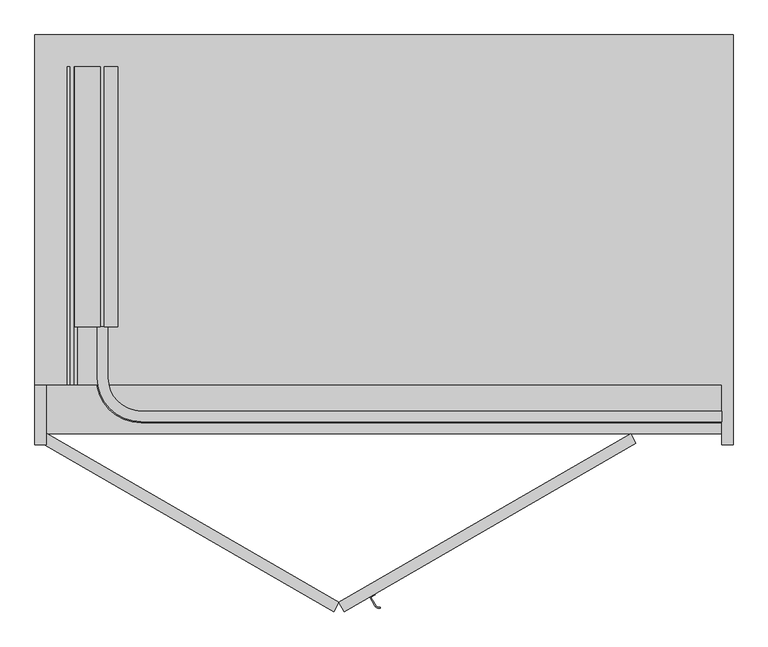
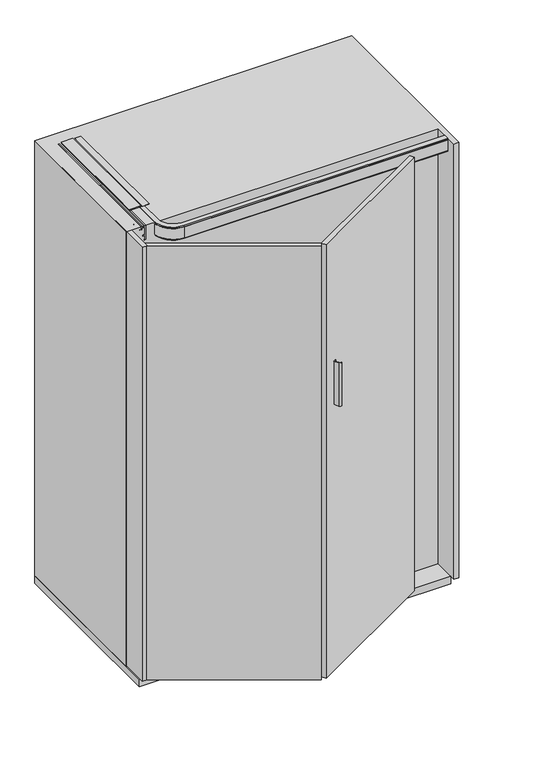
"""IFC4 building model written with IfcOpenShell, lengths in millimetres: furniture geometry."""

from ifc_helpers import new_model, si_unit, point, frame, frame_2d, origin, origin_with_axes, place, context, project, spatial, polyline, circle_curve, trimmed, segment, composite_curve, outline, extrude, faceted_brep, source, transform, mapped, element, save
from ifc_brep_helpers import plane_surface, cylinder_surface, revolved_surface, advanced_brep


def furniture_c6cda0ae(model_context):
    return source(origin(), model_context, "Body", "SolidModel", [
        extrude(outline(composite_curve([segment(polyline([(468.6306141, -378.7535208), (477.14003, -393.4922615)]), True, "CONTINUOUS"), segment(trimmed(circle_curve(frame_2d((483.1894611, -389.9996208)), 6.9852814), [point((477.14003, -393.4922615))], [point((484.997385, -396.7468845))], True, "CARTESIAN"), True, "CONTINUOUS"), segment(polyline([(484.997385, -396.7468845), (485.3856135, -398.1957732)]), True, "CONTINUOUS"), segment(trimmed(circle_curve(frame_2d((483.1894611, -389.9996208)), 8.4852814), [point((485.3856135, -398.1957732))], [point((475.8409919, -394.2422615))], False, "CARTESIAN"), True, "CONTINUOUS"), segment(polyline([(475.8409919, -394.2422615), (466.581576, -378.2044827), (475.24183, -373.2044827), (475.99183, -374.5035208), (468.6306141, -378.7535208)]), True, "CONTINUOUS")], self_intersect=False)), frame((0.0, 0.0, 1110.0), z_axis=(0.0, 0.0, 1.0), x_axis=(1.0, 0.0, 0.0)), (0.0, 0.0, 1.0), 180.0),
        extrude(outline(polyline([(1807.9932635, 18.0), (1807.9932635, -6.170682), (1804.7432635, -6.170682), (1804.7432635, -3.85), (1802.2932635, -3.85), (1802.2932635, -15.85), (1804.7432635, -15.85), (1804.7432635, -13.6), (1810.9932635, -13.6), (1810.9932635, -59.4403391), (1807.0, -56.6442259), (1807.0, -60.2560852), (1801.0432635, -60.2560852), (1801.0432635, -58.0), (1798.7432635, -58.0), (1798.7432635, -70.0), (1801.0432635, -70.0), (1801.0432635, -67.75), (1803.6432635, -67.75), (1803.6432635, -72.0), (1795.3932635, -72.0), (1795.3932635, -67.5), (1792.7432635, -67.5), (1792.7432635, -69.75), (1790.7432635, -69.75), (1790.7432635, -58.25), (1792.7432635, -58.25), (1792.7432635, -60.5), (1795.3932635, -60.5), (1795.3932635, -55.0), (1807.0, -55.0), (1807.0, -20.85), (1752.9932635, -20.85), (1752.9932635, -14.4), (1759.2932635, -8.1), (1760.7932635, -8.1), (1760.7932635, -18.1), (1798.3932635, -18.1), (1798.3932635, -3.85), (1791.8932635, -3.85), (1791.8932635, 0.0), (1804.0042028, 0.0), (1804.0042028, 18.0), (1807.9932635, 18.0)])), frame((0.0, 102.7851791, 0.0), z_axis=(0.0, 1.0, 0.0), x_axis=(0.0, 0.0, 1.0)), (0.0, 0.0, 1.0), 463.2148209),
        advanced_brep(
        [(1094.0, -47.150158, 1791.899902), (1094.0, -47.150158, 1807.0), (1094.0, -66.000134, 1807.0), (1094.0, -66.000134, 1802.2), (1094.0, -68.000134, 1802.2), (1094.0, -68.000134, 1757.8), (1094.0, -66.000134, 1757.8), (1094.0, -66.000134, 1753.0), (1094.0, -61.000134, 1753.0), (1094.0, -61.000134, 1757.8), (1094.0, -55.250134, 1757.8), (1094.0, -55.250134, 1760.8), (1094.0, -65.250134, 1760.8), (1094.0, -65.250134, 1798.4), (1094.0, -51.050134, 1798.4), (1094.0, -51.050134, 1791.899902), (-2.4e-05, 102.7851791, 1791.899902), (-3.9, 102.7851791, 1791.899902), (-3.9, 102.7851791, 1798.4), (-18.1, 102.7851791, 1798.4), (-18.1, 102.7851791, 1760.8), (-8.1, 102.7851791, 1760.8), (-8.1, 102.7851791, 1757.8), (-13.85, 102.7851791, 1757.8), (-13.85, 102.7851791, 1753.0), (-18.85, 102.7851791, 1753.0), (-18.85, 102.7851791, 1757.8), (-20.85, 102.7851791, 1757.8), (-20.85, 102.7851791, 1802.2), (-18.85, 102.7851791, 1802.2), (-18.85, 102.7851791, 1807.0), (-2.4e-05, 102.7851791, 1807.0), (59.150134, -47.150158, 1791.899902), (59.150134, -47.150158, 1807.0), (-2.4e-05, 12.0, 1807.0), (-18.85, 12.0, 1807.0), (59.150134, -66.000134, 1807.0), (59.150134, -66.000134, 1802.2), (-18.85, 12.0, 1802.2), (-20.85, 12.0, 1802.2), (59.150134, -68.000134, 1802.2), (59.150134, -68.000134, 1757.8), (-20.85, 12.0, 1757.8), (-18.85, 12.0, 1757.8), (59.150134, -66.000134, 1757.8), (59.150134, -66.000134, 1753.0), (-18.85, 12.0, 1753.0), (-13.85, 12.0, 1753.0), (59.150134, -61.000134, 1753.0), (59.150134, -61.000134, 1757.8), (-13.85, 12.0, 1757.8), (-8.1, 12.0, 1757.8), (59.150134, -55.250134, 1757.8), (59.150134, -55.250134, 1760.8), (-8.1, 12.0, 1760.8), (-18.1, 12.0, 1760.8), (59.150134, -65.250134, 1760.8), (59.150134, -65.250134, 1798.4), (-18.1, 12.0, 1798.4), (-3.9, 12.0, 1798.4), (59.150134, -51.050134, 1798.4), (59.150134, -51.050134, 1791.899902), (-3.9, 12.0, 1791.899902), (-2.4e-05, 12.0, 1791.899902)],
        [
            (0, 1),
            (1, 2),
            (2, 3),
            (3, 4),
            (4, 5),
            (5, 6),
            (6, 7),
            (7, 8),
            (8, 9),
            (9, 10),
            (10, 11),
            (11, 12),
            (12, 13),
            (13, 14),
            (14, 15),
            (15, 0),
            (16, 17),
            (17, 18),
            (18, 19),
            (19, 20),
            (20, 21),
            (21, 22),
            (22, 23),
            (23, 24),
            (24, 25),
            (25, 26),
            (26, 27),
            (27, 28),
            (28, 29),
            (29, 30),
            (30, 31),
            (31, 16),
            (0, 32),
            (32, 33),
            (33, 1),
            (33, 34, circle_curve(frame((59.150134, 12.0, 1807.0), z_axis=(0.0, 0.0, -1.0), x_axis=(0.0, -1.0, 0.0)), 59.150158)),
            (34, 31),
            (30, 35),
            (35, 36, circle_curve(frame((59.150134, 12.0, 1807.0), z_axis=(0.0, 0.0, 1.0), x_axis=(0.0, -1.0, 0.0)), 78.000134)),
            (36, 2),
            (36, 37),
            (37, 3),
            (37, 38, circle_curve(frame((59.150134, 12.0, 1802.2), z_axis=(0.0, 0.0, -1.0), x_axis=(0.0, -1.0, 0.0)), 78.000134)),
            (38, 29),
            (28, 39),
            (39, 40, circle_curve(frame((59.150134, 12.0, 1802.2), z_axis=(0.0, 0.0, 1.0), x_axis=(0.0, -1.0, 0.0)), 80.000134)),
            (40, 4),
            (40, 41),
            (41, 5),
            (41, 42, circle_curve(frame((59.150134, 12.0, 1757.8), z_axis=(0.0, 0.0, -1.0), x_axis=(0.0, -1.0, 0.0)), 80.000134)),
            (42, 27),
            (26, 43),
            (43, 44, circle_curve(frame((59.150134, 12.0, 1757.8), z_axis=(0.0, 0.0, 1.0), x_axis=(0.0, -1.0, 0.0)), 78.000134)),
            (44, 6),
            (44, 45),
            (45, 7),
            (45, 46, circle_curve(frame((59.150134, 12.0, 1753.0), z_axis=(0.0, 0.0, -1.0), x_axis=(0.0, -1.0, 0.0)), 78.000134)),
            (46, 25),
            (24, 47),
            (47, 48, circle_curve(frame((59.150134, 12.0, 1753.0), z_axis=(0.0, 0.0, 1.0), x_axis=(0.0, -1.0, 0.0)), 73.000134)),
            (48, 8),
            (48, 49),
            (49, 9),
            (49, 50, circle_curve(frame((59.150134, 12.0, 1757.8), z_axis=(0.0, 0.0, -1.0), x_axis=(0.0, -1.0, 0.0)), 73.000134)),
            (50, 23),
            (22, 51),
            (51, 52, circle_curve(frame((59.150134, 12.0, 1757.8), z_axis=(0.0, 0.0, 1.0), x_axis=(0.0, -1.0, 0.0)), 67.250134)),
            (52, 10),
            (52, 53),
            (53, 11),
            (53, 54, circle_curve(frame((59.150134, 12.0, 1760.8), z_axis=(0.0, 0.0, -1.0), x_axis=(0.0, -1.0, 0.0)), 67.250134)),
            (54, 21),
            (20, 55),
            (55, 56, circle_curve(frame((59.150134, 12.0, 1760.8), z_axis=(0.0, 0.0, 1.0), x_axis=(0.0, -1.0, 0.0)), 77.250134)),
            (56, 12),
            (56, 57),
            (57, 13),
            (57, 58, circle_curve(frame((59.150134, 12.0, 1798.4), z_axis=(0.0, 0.0, -1.0), x_axis=(0.0, -1.0, 0.0)), 77.250134)),
            (58, 19),
            (18, 59),
            (59, 60, circle_curve(frame((59.150134, 12.0, 1798.4), z_axis=(0.0, 0.0, 1.0), x_axis=(0.0, -1.0, 0.0)), 63.050134)),
            (60, 14),
            (60, 61),
            (61, 15),
            (61, 62, circle_curve(frame((59.150134, 12.0, 1791.899902), z_axis=(0.0, 0.0, -1.0), x_axis=(0.0, -1.0, 0.0)), 63.050134)),
            (62, 17),
            (16, 63),
            (63, 32, circle_curve(frame((59.150134, 12.0, 1791.899902), z_axis=(0.0, 0.0, 1.0), x_axis=(0.0, -1.0, 0.0)), 59.150158)),
            (63, 34),
            (35, 38),
            (39, 42),
            (43, 46),
            (47, 50),
            (51, 54),
            (55, 58),
            (59, 62),
        ],
        [
            plane_surface(frame((1094.0, -88.0, 1807.0), z_axis=(1.0, 0.0, 0.0), x_axis=(0.0, 0.0, 1.0))),
            plane_surface(frame((-40.849866, 102.7851791, 1807.0), z_axis=(0.0, 1.0, 0.0), x_axis=(0.0, 0.0, 1.0))),
            plane_surface(frame((1094.0, -47.150158, 1791.899902), z_axis=(0.0, 1.0, 0.0), x_axis=(-1.0, 0.0, 0.0))),
            plane_surface(frame((1094.0, -47.150158, 1807.0), z_axis=(0.0, 0.0, 1.0), x_axis=(-1.0, 0.0, 0.0))),
            plane_surface(frame((1094.0, -66.000134, 1807.0), z_axis=(0.0, -1.0, 0.0), x_axis=(-1.0, 0.0, 0.0))),
            plane_surface(frame((1094.0, -66.000134, 1802.2), z_axis=(0.0, 0.0, 1.0), x_axis=(-1.0, 0.0, 0.0))),
            plane_surface(frame((1094.0, -68.000134, 1802.2), z_axis=(0.0, -1.0, 0.0), x_axis=(-1.0, 0.0, 0.0))),
            plane_surface(frame((1094.0, -68.000134, 1757.8), z_axis=(0.0, 0.0, -1.0), x_axis=(-1.0, 0.0, 0.0))),
            plane_surface(frame((1094.0, -66.000134, 1757.8), z_axis=(0.0, -1.0, 0.0), x_axis=(-1.0, 0.0, 0.0))),
            plane_surface(frame((1094.0, -66.000134, 1753.0), z_axis=(0.0, 0.0, -1.0), x_axis=(-1.0, 0.0, 0.0))),
            plane_surface(frame((1094.0, -61.000134, 1753.0), z_axis=(0.0, 1.0, 0.0), x_axis=(-1.0, 0.0, 0.0))),
            plane_surface(frame((1094.0, -61.000134, 1757.8), z_axis=(0.0, 0.0, -1.0), x_axis=(-1.0, 0.0, 0.0))),
            plane_surface(frame((1094.0, -55.250134, 1757.8), z_axis=(0.0, 1.0, 0.0), x_axis=(-1.0, 0.0, 0.0))),
            plane_surface(frame((1094.0, -55.250134, 1760.8), z_axis=(0.0, 0.0, 1.0), x_axis=(-1.0, 0.0, 0.0))),
            plane_surface(frame((1094.0, -65.250134, 1760.8), z_axis=(0.0, 1.0, 0.0), x_axis=(-1.0, 0.0, 0.0))),
            plane_surface(frame((1094.0, -65.250134, 1798.4), z_axis=(0.0, 0.0, -1.0), x_axis=(-1.0, 0.0, 0.0))),
            plane_surface(frame((1094.0, -51.050134, 1798.4), z_axis=(0.0, -1.0, 0.0), x_axis=(-1.0, 0.0, 0.0))),
            plane_surface(frame((1094.0, -51.050134, 1791.899902), z_axis=(0.0, 0.0, -1.0), x_axis=(-1.0, 0.0, 0.0))),
            revolved_surface(polyline([(59.150134, -47.150158, 1791.899902), (59.150134, -47.150158, 1807.0)]), (59.150134, 12.0, 1807.0), (0.0, 0.0, -1.0)),
            cylinder_surface(frame((59.150134, 12.0, 1807.0), z_axis=(0.0, 0.0, -1.0), x_axis=(0.0, -1.0, 0.0)), 78.000134),
            cylinder_surface(frame((59.150134, 12.0, 1807.0), z_axis=(0.0, 0.0, -1.0), x_axis=(0.0, -1.0, 0.0)), 80.000134),
            revolved_surface(polyline([(59.150134, -61.000134, 1753.0), (59.150134, -61.000134, 1757.8)]), (59.150134, 12.0, 1807.0), (0.0, 0.0, -1.0)),
            revolved_surface(polyline([(59.150134, -55.250134, 1757.8), (59.150134, -55.250134, 1760.8)]), (59.150134, 12.0, 1807.0), (0.0, 0.0, -1.0)),
            revolved_surface(polyline([(59.150134, -65.250134, 1760.8), (59.150134, -65.250134, 1798.4)]), (59.150134, 12.0, 1807.0), (0.0, 0.0, -1.0)),
            cylinder_surface(frame((59.150134, 12.0, 1807.0), z_axis=(0.0, 0.0, -1.0), x_axis=(0.0, -1.0, 0.0)), 63.050134),
            plane_surface(frame((-2.4e-05, 12.0, 1791.899902), z_axis=(1.0, 0.0, 0.0), x_axis=(0.0, 1.0, 0.0))),
            plane_surface(frame((-18.85, 12.0, 1807.0), z_axis=(-1.0, 0.0, 0.0), x_axis=(0.0, 1.0, 0.0))),
            plane_surface(frame((-20.85, 12.0, 1802.2), z_axis=(-1.0, 0.0, 0.0), x_axis=(0.0, 1.0, 0.0))),
            plane_surface(frame((-18.85, 12.0, 1757.8), z_axis=(-1.0, 0.0, 0.0), x_axis=(0.0, 1.0, 0.0))),
            plane_surface(frame((-13.85, 12.0, 1753.0), z_axis=(1.0, 0.0, 0.0), x_axis=(0.0, 1.0, 0.0))),
            plane_surface(frame((-8.1, 12.0, 1757.8), z_axis=(1.0, 0.0, 0.0), x_axis=(0.0, 1.0, 0.0))),
            plane_surface(frame((-18.1, 12.0, 1760.8), z_axis=(1.0, 0.0, 0.0), x_axis=(0.0, 1.0, 0.0))),
            plane_surface(frame((-3.9, 12.0, 1798.4), z_axis=(-1.0, 0.0, 0.0), x_axis=(0.0, 1.0, 0.0))),
        ],
        [
            (0, [[1, 2, 3, 4, 5, 6, 7, 8, 9, 10, 11, 12, 13, 14, 15, 16]]),
            (1, [[17, 18, 19, 20, 21, 22, 23, 24, 25, 26, 27, 28, 29, 30, 31, 32]]),
            (2, [[-1, 33, 34, 35]]),
            (3, [[-2, -35, 36, 37, -31, 38, 39, 40]]),
            (4, [[-3, -40, 41, 42]]),
            (5, [[-4, -42, 43, 44, -29, 45, 46, 47]]),
            (6, [[-5, -47, 48, 49]]),
            (7, [[-6, -49, 50, 51, -27, 52, 53, 54]]),
            (8, [[-7, -54, 55, 56]]),
            (9, [[-8, -56, 57, 58, -25, 59, 60, 61]]),
            (10, [[-9, -61, 62, 63]]),
            (11, [[-10, -63, 64, 65, -23, 66, 67, 68]]),
            (12, [[-11, -68, 69, 70]]),
            (13, [[-12, -70, 71, 72, -21, 73, 74, 75]]),
            (14, [[-13, -75, 76, 77]]),
            (15, [[-14, -77, 78, 79, -19, 80, 81, 82]]),
            (16, [[-15, -82, 83, 84]]),
            (17, [[-16, -84, 85, 86, -17, 87, 88, -33]]),
            (18, [[-36, -34, -88, 89]]),
            (19, [[-43, -41, -39, 90]]),
            (20, [[-50, -48, -46, 91]]),
            (19, [[-57, -55, -53, 92]]),
            (21, [[-64, -62, -60, 93]]),
            (22, [[-71, -69, -67, 94]]),
            (23, [[-78, -76, -74, 95]]),
            (24, [[-85, -83, -81, 96]]),
            (25, [[-89, -87, -32, -37]]),
            (26, [[-90, -38, -30, -44]]),
            (27, [[-91, -45, -28, -51]]),
            (28, [[-92, -52, -26, -58]]),
            (29, [[-93, -59, -24, -65]]),
            (30, [[-94, -66, -22, -72]]),
            (31, [[-95, -73, -20, -79]]),
            (32, [[-96, -80, -18, -86]]),
        ],
    ),
        extrude(outline(polyline([(931.2304845, -88.0), (940.7304845, -104.4544827), (421.1152423, -404.4544827), (411.6152423, -388.0), (931.2304845, -88.0)])), frame((0.0, 0.0, 5.0), z_axis=(0.0, 0.0, 1.0), x_axis=(1.0, 0.0, 0.0)), (0.0, 0.0, 1.0), 1800.0),
        extrude(outline(polyline([(-117.5, -104.4544827), (-108.0, -88.0), (411.6152423, -388.0), (402.1152423, -404.4544827), (-117.5, -104.4544827)])), frame((0.0, 0.0, 5.0), z_axis=(0.0, 0.0, 1.0), x_axis=(1.0, 0.0, 0.0)), (0.0, 0.0, 1.0), 1800.0),
        advanced_brep(
        [(-75.6336873, 23.1375322, 1765.724276), (-75.6336873, 23.1375322, 1733.0547299), (-63.4737348, 23.1375322, 1733.0547299), (-63.4737348, 23.1375322, 1761.3495777), (-67.2507667, 23.1375322, 1761.3495777), (-71.625465, 23.1375322, 1765.724276), (-75.6336873, 82.3672808, 1765.724276), (-71.625465, 82.3672808, 1765.724276), (-67.2507667, 82.3672808, 1761.3495777), (-63.4737348, 82.3672808, 1761.3495777), (-63.4737348, 82.3672808, 1733.0547299), (-75.6336873, 82.3672808, 1733.0547299), (-63.4737348, 33.0799821, 1758.673583), (-63.4737348, 39.5123773, 1758.673583), (-63.4737348, 39.5123773, 1754.158508), (-63.4737348, 33.0799821, 1754.158508), (-63.4737348, 26.647587, 1754.158508), (-63.4737348, 26.647587, 1758.673583), (-63.4737348, 72.4549821, 1758.673583), (-63.4737348, 78.8873773, 1758.673583), (-63.4737348, 78.8873773, 1754.158508), (-63.4737348, 72.4549821, 1754.158508), (-63.4737348, 66.022587, 1754.158508), (-63.4737348, 66.022587, 1758.673583), (-57.5, 33.0799821, 1758.673583), (-57.5, 33.0799821, 1754.158508), (-57.5, 72.4549821, 1758.673583), (-57.5, 72.4549821, 1754.158508)],
        [
            (0, 1),
            (1, 2),
            (2, 3),
            (3, 4),
            (4, 5),
            (5, 0),
            (6, 7),
            (7, 8),
            (8, 9),
            (9, 10),
            (10, 11),
            (11, 6),
            (0, 6),
            (11, 1),
            (10, 2),
            (9, 3),
            (12, 13),
            (13, 14),
            (14, 15),
            (15, 16),
            (16, 17),
            (17, 12),
            (18, 19),
            (19, 20),
            (20, 21),
            (21, 22),
            (22, 23),
            (23, 18),
            (8, 4),
            (7, 5),
            (12, 24),
            (24, 13, circle_curve(frame((-63.950003, 33.0799821, 1758.673583), z_axis=(0.0, 0.0, 1.0), x_axis=(1.0, 0.0, 0.0)), 6.450003)),
            (17, 24, circle_curve(frame((-63.950003, 33.0799821, 1758.673583), z_axis=(0.0, 0.0, 1.0), x_axis=(1.0, 0.0, 0.0)), 6.450003)),
            (25, 15),
            (14, 25, circle_curve(frame((-63.950003, 33.0799821, 1754.158508), z_axis=(0.0, 0.0, -1.0), x_axis=(1.0, 0.0, 0.0)), 6.450003)),
            (25, 16, circle_curve(frame((-63.950003, 33.0799821, 1754.158508), z_axis=(0.0, 0.0, -1.0), x_axis=(1.0, 0.0, 0.0)), 6.450003)),
            (24, 25),
            (18, 26),
            (26, 19, circle_curve(frame((-63.950003, 72.4549821, 1758.673583), z_axis=(0.0, 0.0, 1.0), x_axis=(1.0, 0.0, 0.0)), 6.450003)),
            (23, 26, circle_curve(frame((-63.950003, 72.4549821, 1758.673583), z_axis=(0.0, 0.0, 1.0), x_axis=(1.0, 0.0, 0.0)), 6.450003)),
            (27, 21),
            (20, 27, circle_curve(frame((-63.950003, 72.4549821, 1754.158508), z_axis=(0.0, 0.0, -1.0), x_axis=(1.0, 0.0, 0.0)), 6.450003)),
            (27, 22, circle_curve(frame((-63.950003, 72.4549821, 1754.158508), z_axis=(0.0, 0.0, -1.0), x_axis=(1.0, 0.0, 0.0)), 6.450003)),
            (26, 27),
        ],
        [
            plane_surface(frame((-75.6336873, 23.1375322, 1765.724276), z_axis=(0.0, -1.0, 0.0), x_axis=(0.0, 0.0, -1.0))),
            plane_surface(frame((-75.6336873, 82.3672808, 1765.724276), z_axis=(0.0, 1.0, 0.0), x_axis=(0.0, 0.0, 1.0))),
            plane_surface(frame((-75.6336873, 23.1375322, 1765.724276), z_axis=(-1.0, 0.0, 0.0), x_axis=(0.0, 1.0, 0.0))),
            plane_surface(frame((-75.6336873, 23.1375322, 1733.0547299), z_axis=(0.0, 0.0, -1.0), x_axis=(0.0, 1.0, 0.0))),
            plane_surface(frame((-63.4737348, 23.1375322, 1733.0547299), z_axis=(1.0, 0.0, 0.0), x_axis=(0.0, 1.0, 0.0))),
            plane_surface(frame((-63.4737348, 23.1375322, 1761.3495777), z_axis=(0.0, 0.0, 1.0), x_axis=(0.0, 1.0, 0.0))),
            plane_surface(frame((-67.2507667, 23.1375322, 1761.3495777), z_axis=(0.7071067811865492, 0.0, 0.7071067811865459), x_axis=(0.0, 1.0, 0.0))),
            plane_surface(frame((-71.625465, 23.1375322, 1765.724276), z_axis=(0.0, 0.0, 1.0), x_axis=(0.0, 1.0, 0.0))),
            plane_surface(frame((-63.950003, 33.0799821, 1758.673583), z_axis=(0.0, 0.0, 1.0), x_axis=(1.0, 0.0, 0.0))),
            plane_surface(frame((-63.950003, 33.0799821, 1754.158508), z_axis=(0.0, 0.0, -1.0), x_axis=(1.0, 0.0, 0.0))),
            cylinder_surface(frame((-63.950003, 33.0799821, 1759.795738), z_axis=(0.0, 0.0, 1.0), x_axis=(1.0, 0.0, 0.0)), 6.450003),
            plane_surface(frame((-63.950003, 72.4549821, 1758.673583), z_axis=(0.0, 0.0, 1.0), x_axis=(1.0, 0.0, 0.0))),
            plane_surface(frame((-63.950003, 72.4549821, 1754.158508), z_axis=(0.0, 0.0, -1.0), x_axis=(1.0, 0.0, 0.0))),
            cylinder_surface(frame((-63.950003, 72.4549821, 1759.795738), z_axis=(0.0, 0.0, 1.0), x_axis=(1.0, 0.0, 0.0)), 6.450003),
        ],
        [
            (0, [[1, 2, 3, 4, 5, 6]]),
            (1, [[7, 8, 9, 10, 11, 12]]),
            (2, [[-1, 13, -12, 14]]),
            (3, [[-2, -14, -11, 15]]),
            (4, [[-3, -15, -10, 16], [17, 18, 19, 20, 21, 22], [23, 24, 25, 26, 27, 28]]),
            (5, [[-4, -16, -9, 29]]),
            (6, [[-5, -29, -8, 30]]),
            (7, [[-6, -30, -7, -13]]),
            (8, [[31, 32, -17]]),
            (8, [[-31, -22, 33]]),
            (9, [[34, -19, 35]]),
            (9, [[-34, 36, -20]]),
            (10, [[37, -35, -18, -32]]),
            (10, [[-37, -33, -21, -36]]),
            (11, [[38, 39, -23]]),
            (11, [[-38, -28, 40]]),
            (12, [[41, -25, 42]]),
            (12, [[-41, 43, -26]]),
            (13, [[44, -42, -24, -39]]),
            (13, [[-44, -40, -27, -43]]),
        ],
    ),
        advanced_brep(
        [(-67.900202, 72.4549821, 1784.308626), (-67.900202, 72.4549821, 1769.308626), (-67.900202, 72.4549821, 1799.308626), (-66.9872489, 72.4549821, 1769.308626), (-66.9872489, 72.4549821, 1799.308626), (-59.900202, 72.4549821, 1799.308626), (-59.900202, 72.4549821, 1769.308626), (-59.900202, 72.4549821, 1779.2712731), (-59.900202, 72.4549821, 1789.3459789), (-58.400202, 72.4549821, 1780.3215844), (-58.400202, 72.4549821, 1788.2956676), (-58.400202, 72.4549821, 1784.308626), (-60.9142761, 72.4549821, 1799.308626), (-60.9142761, 72.4549821, 1769.308626), (-62.91385, 72.4549821, 1797.3090521), (-62.91385, 72.4549821, 1771.3081999), (-64.9876751, 72.4549821, 1797.3090521), (-64.9876751, 72.4549821, 1771.3081999)],
        [
            (0, 1),
            (1, 2, circle_curve(frame((-67.900202, 72.4549821, 1784.308626), z_axis=(-1.0, 0.0, 0.0), x_axis=(0.0, 0.0, -1.0)), 15.0)),
            (2, 0),
            (2, 1, circle_curve(frame((-67.900202, 72.4549821, 1784.308626), z_axis=(-1.0, 0.0, 0.0), x_axis=(0.0, 0.0, -1.0)), 15.0)),
            (1, 3),
            (3, 4, circle_curve(frame((-66.9872489, 72.4549821, 1784.308626), z_axis=(-1.0, 0.0, 0.0), x_axis=(0.0, 0.0, -1.0)), 15.0)),
            (4, 2),
            (4, 3, circle_curve(frame((-66.9872489, 72.4549821, 1784.308626), z_axis=(-1.0, 0.0, 0.0), x_axis=(0.0, 0.0, -1.0)), 15.0)),
            (5, 6, circle_curve(frame((-59.900202, 72.4549821, 1784.308626), z_axis=(1.0, 0.0, 0.0), x_axis=(0.0, 0.0, -1.0)), 15.0)),
            (6, 7),
            (7, 8, circle_curve(frame((-59.900202, 72.4549821, 1784.308626), z_axis=(-1.0, 0.0, 0.0), x_axis=(0.0, 0.0, -1.0)), 5.0373529)),
            (8, 5),
            (6, 5, circle_curve(frame((-59.900202, 72.4549821, 1784.308626), z_axis=(1.0, 0.0, 0.0), x_axis=(0.0, 0.0, -1.0)), 15.0)),
            (8, 7, circle_curve(frame((-59.900202, 72.4549821, 1784.308626), z_axis=(-1.0, 0.0, 0.0), x_axis=(0.0, 0.0, -1.0)), 5.0373529)),
            (7, 9),
            (9, 10, circle_curve(frame((-58.400202, 72.4549821, 1784.308626), z_axis=(-1.0, 0.0, 0.0), x_axis=(0.0, 0.0, -1.0)), 3.9870416)),
            (10, 8),
            (10, 9, circle_curve(frame((-58.400202, 72.4549821, 1784.308626), z_axis=(-1.0, 0.0, 0.0), x_axis=(0.0, 0.0, -1.0)), 3.9870416)),
            (9, 11),
            (11, 10),
            (12, 13, circle_curve(frame((-60.9142761, 72.4549821, 1784.308626), z_axis=(1.0, 0.0, 0.0), x_axis=(0.0, 0.0, -1.0)), 15.0)),
            (13, 6),
            (5, 12),
            (13, 12, circle_curve(frame((-60.9142761, 72.4549821, 1784.308626), z_axis=(1.0, 0.0, 0.0), x_axis=(0.0, 0.0, -1.0)), 15.0)),
            (14, 15, circle_curve(frame((-62.91385, 72.4549821, 1784.308626), z_axis=(1.0, 0.0, 0.0), x_axis=(0.0, 0.0, -1.0)), 13.0004261)),
            (15, 13),
            (12, 14),
            (15, 14, circle_curve(frame((-62.91385, 72.4549821, 1784.308626), z_axis=(1.0, 0.0, 0.0), x_axis=(0.0, 0.0, -1.0)), 13.0004261)),
            (16, 17, circle_curve(frame((-64.9876751, 72.4549821, 1784.308626), z_axis=(1.0, 0.0, 0.0), x_axis=(0.0, 0.0, -1.0)), 13.0004261)),
            (17, 15),
            (14, 16),
            (17, 16, circle_curve(frame((-64.9876751, 72.4549821, 1784.308626), z_axis=(1.0, 0.0, 0.0), x_axis=(0.0, 0.0, -1.0)), 13.0004261)),
            (3, 17),
            (16, 4),
        ],
        [
            plane_surface(frame((-67.900202, 72.4549821, 1784.308626), z_axis=(-1.0, 0.0, 0.0), x_axis=(0.0, 0.0, -1.0))),
            cylinder_surface(frame((-58.400202, 72.4549821, 1784.308626), z_axis=(-1.0, 0.0, 0.0), x_axis=(0.0, 0.0, -1.0)), 15.0),
            plane_surface(frame((-59.900202, 72.4549821, 1784.308626), z_axis=(1.0, 0.0, 0.0), x_axis=(0.0, 0.0, -1.0))),
            revolved_surface(polyline([(-58.400202, 72.4549821, 1780.3215844), (-59.900202, 72.4549821, 1779.2712731)]), (-58.400202, 72.4549821, 1784.308626), (-1.0, 0.0, 0.0)),
            plane_surface(frame((-58.400202, 72.4549821, 1784.308626), z_axis=(1.0, 0.0, 0.0), x_axis=(0.0, 0.0, -1.0))),
            revolved_surface(polyline([(-60.9142761, 72.4549821, 1769.308626), (-62.91385, 72.4549821, 1771.3081999)]), (-58.400202, 72.4549821, 1784.308626), (-1.0, 0.0, 0.0)),
            cylinder_surface(frame((-58.400202, 72.4549821, 1784.308626), z_axis=(-1.0, 0.0, 0.0), x_axis=(0.0, 0.0, -1.0)), 13.0004261),
            revolved_surface(polyline([(-64.9876751, 72.4549821, 1771.3081999), (-66.9872489, 72.4549821, 1769.308626)]), (-58.400202, 72.4549821, 1784.308626), (-1.0, 0.0, 0.0)),
        ],
        [
            (0, [[1, 2, 3]]),
            (0, [[-3, 4, -1]]),
            (1, [[-2, 5, 6, 7]]),
            (1, [[-4, -7, 8, -5]]),
            (2, [[9, 10, 11, 12]]),
            (2, [[13, -12, 14, -10]]),
            (3, [[-11, 15, 16, 17]]),
            (3, [[-14, -17, 18, -15]]),
            (4, [[-16, 19, 20]]),
            (4, [[-18, -20, -19]]),
            (1, [[21, 22, -9, 23]]),
            (1, [[24, -23, -13, -22]]),
            (5, [[25, 26, -21, 27]]),
            (5, [[28, -27, -24, -26]]),
            (6, [[29, 30, -25, 31]]),
            (6, [[32, -31, -28, -30]]),
            (7, [[-6, 33, -29, 34]]),
            (7, [[-8, -34, -32, -33]]),
        ],
    ),
        extrude(outline(polyline([(-67.4751845, 70.1923392), (-67.4751845, 73.7061401), (-64.9743712, 73.7061401), (-64.9743712, 66.9001293), (-66.8013734, 65.0731271), (-66.8013734, 51.486783), (-64.9743712, 49.6597808), (-64.9743712, 42.7986729), (-67.4751845, 42.7986729), (-67.4751845, 46.3764149), (-68.7451872, 46.3764149), (-70.714577, 48.3458047), (-70.714577, 68.3458047), (-68.8680425, 70.1923392), (-67.4751845, 70.1923392)])), frame((0.0, 0.0, 1714.5347501), z_axis=(0.0, 0.0, 1.0), x_axis=(1.0, 0.0, 0.0)), (0.0, 0.0, 1.0), 18.5199799),
        extrude(outline(polyline([(-67.7993712, 44.5272199), (-73.2501515, 44.5272199), (-73.2501515, 60.9375972), (-67.7993712, 60.9375972), (-67.7993712, 44.5272199)])), frame((0.0, 0.0, 1761.3495777), z_axis=(0.0, 0.0, 1.0), x_axis=(1.0, 0.0, 0.0)), (0.0, 0.0, 1.0), 16.9521965),
        advanced_brep(
        [(-67.900202, 33.0799821, 1784.125), (-67.900202, 33.0799821, 1769.125), (-67.900202, 33.0799821, 1799.125), (-66.9872489, 33.0799821, 1769.125), (-66.9872489, 33.0799821, 1799.125), (-59.900202, 33.0799821, 1799.125), (-59.900202, 33.0799821, 1769.125), (-59.900202, 33.0799821, 1779.0876471), (-59.900202, 33.0799821, 1789.1623529), (-58.400202, 33.0799821, 1780.1379584), (-58.400202, 33.0799821, 1788.1120416), (-58.400202, 33.0799821, 1784.125), (-60.9142761, 33.0799821, 1799.125), (-60.9142761, 33.0799821, 1769.125), (-62.91385, 33.0799821, 1797.1254261), (-62.91385, 33.0799821, 1771.1245739), (-64.9876751, 33.0799821, 1797.1254261), (-64.9876751, 33.0799821, 1771.1245739)],
        [
            (0, 1),
            (1, 2, circle_curve(frame((-67.900202, 33.0799821, 1784.125), z_axis=(-1.0, 0.0, 0.0), x_axis=(0.0, 0.0, -1.0)), 15.0)),
            (2, 0),
            (2, 1, circle_curve(frame((-67.900202, 33.0799821, 1784.125), z_axis=(-1.0, 0.0, 0.0), x_axis=(0.0, 0.0, -1.0)), 15.0)),
            (1, 3),
            (3, 4, circle_curve(frame((-66.9872489, 33.0799821, 1784.125), z_axis=(-1.0, 0.0, 0.0), x_axis=(0.0, 0.0, -1.0)), 15.0)),
            (4, 2),
            (4, 3, circle_curve(frame((-66.9872489, 33.0799821, 1784.125), z_axis=(-1.0, 0.0, 0.0), x_axis=(0.0, 0.0, -1.0)), 15.0)),
            (5, 6, circle_curve(frame((-59.900202, 33.0799821, 1784.125), z_axis=(1.0, 0.0, 0.0), x_axis=(0.0, 0.0, -1.0)), 15.0)),
            (6, 7),
            (7, 8, circle_curve(frame((-59.900202, 33.0799821, 1784.125), z_axis=(-1.0, 0.0, 0.0), x_axis=(0.0, 0.0, -1.0)), 5.0373529)),
            (8, 5),
            (6, 5, circle_curve(frame((-59.900202, 33.0799821, 1784.125), z_axis=(1.0, 0.0, 0.0), x_axis=(0.0, 0.0, -1.0)), 15.0)),
            (8, 7, circle_curve(frame((-59.900202, 33.0799821, 1784.125), z_axis=(-1.0, 0.0, 0.0), x_axis=(0.0, 0.0, -1.0)), 5.0373529)),
            (7, 9),
            (9, 10, circle_curve(frame((-58.400202, 33.0799821, 1784.125), z_axis=(-1.0, 0.0, 0.0), x_axis=(0.0, 0.0, -1.0)), 3.9870416)),
            (10, 8),
            (10, 9, circle_curve(frame((-58.400202, 33.0799821, 1784.125), z_axis=(-1.0, 0.0, 0.0), x_axis=(0.0, 0.0, -1.0)), 3.9870416)),
            (9, 11),
            (11, 10),
            (12, 13, circle_curve(frame((-60.9142761, 33.0799821, 1784.125), z_axis=(1.0, 0.0, 0.0), x_axis=(0.0, 0.0, -1.0)), 15.0)),
            (13, 6),
            (5, 12),
            (13, 12, circle_curve(frame((-60.9142761, 33.0799821, 1784.125), z_axis=(1.0, 0.0, 0.0), x_axis=(0.0, 0.0, -1.0)), 15.0)),
            (14, 15, circle_curve(frame((-62.91385, 33.0799821, 1784.125), z_axis=(1.0, 0.0, 0.0), x_axis=(0.0, 0.0, -1.0)), 13.0004261)),
            (15, 13),
            (12, 14),
            (15, 14, circle_curve(frame((-62.91385, 33.0799821, 1784.125), z_axis=(1.0, 0.0, 0.0), x_axis=(0.0, 0.0, -1.0)), 13.0004261)),
            (16, 17, circle_curve(frame((-64.9876751, 33.0799821, 1784.125), z_axis=(1.0, 0.0, 0.0), x_axis=(0.0, 0.0, -1.0)), 13.0004261)),
            (17, 15),
            (14, 16),
            (17, 16, circle_curve(frame((-64.9876751, 33.0799821, 1784.125), z_axis=(1.0, 0.0, 0.0), x_axis=(0.0, 0.0, -1.0)), 13.0004261)),
            (3, 17),
            (16, 4),
        ],
        [
            plane_surface(frame((-67.900202, 33.0799821, 1784.125), z_axis=(-1.0, 0.0, 0.0), x_axis=(0.0, 0.0, -1.0))),
            cylinder_surface(frame((-58.400202, 33.0799821, 1784.125), z_axis=(-1.0, 0.0, 0.0), x_axis=(0.0, 0.0, -1.0)), 15.0),
            plane_surface(frame((-59.900202, 33.0799821, 1784.125), z_axis=(1.0, 0.0, 0.0), x_axis=(0.0, 0.0, -1.0))),
            revolved_surface(polyline([(-58.400202, 33.0799821, 1780.1379584), (-59.900202, 33.0799821, 1779.0876471)]), (-58.400202, 33.0799821, 1784.125), (-1.0, 0.0, 0.0)),
            plane_surface(frame((-58.400202, 33.0799821, 1784.125), z_axis=(1.0, 0.0, 0.0), x_axis=(0.0, 0.0, -1.0))),
            revolved_surface(polyline([(-60.9142761, 33.0799821, 1769.125), (-62.91385, 33.0799821, 1771.1245739)]), (-58.400202, 33.0799821, 1784.125), (-1.0, 0.0, 0.0)),
            cylinder_surface(frame((-58.400202, 33.0799821, 1784.125), z_axis=(-1.0, 0.0, 0.0), x_axis=(0.0, 0.0, -1.0)), 13.0004261),
            revolved_surface(polyline([(-64.9876751, 33.0799821, 1771.1245739), (-66.9872489, 33.0799821, 1769.125)]), (-58.400202, 33.0799821, 1784.125), (-1.0, 0.0, 0.0)),
        ],
        [
            (0, [[1, 2, 3]]),
            (0, [[-3, 4, -1]]),
            (1, [[-2, 5, 6, 7]]),
            (1, [[-4, -7, 8, -5]]),
            (2, [[9, 10, 11, 12]]),
            (2, [[13, -12, 14, -10]]),
            (3, [[-11, 15, 16, 17]]),
            (3, [[-14, -17, 18, -15]]),
            (4, [[-16, 19, 20]]),
            (4, [[-18, -20, -19]]),
            (1, [[21, 22, -9, 23]]),
            (1, [[24, -23, -13, -22]]),
            (5, [[25, 26, -21, 27]]),
            (5, [[28, -27, -24, -26]]),
            (6, [[29, 30, -25, 31]]),
            (6, [[32, -31, -28, -30]]),
            (7, [[-6, 33, -29, 34]]),
            (7, [[-8, -34, -32, -33]]),
        ],
    ),
        extrude(outline(polyline([(-67.7993712, 18.5522242), (-75.365636, 18.5522242), (-75.365636, 86.9089943), (-67.7993712, 86.9089943), (-67.7993712, 18.5522242)])), frame((0.0, 0.0, 1778.3017742), z_axis=(0.0, 0.0, 1.0), x_axis=(1.0, 0.0, 0.0)), (0.0, 0.0, 1.0), 11.7055952),
        extrude(outline(polyline([(19.0, -72.0), (0.0, -72.0), (0.0, -67.75), (2.25, -67.75), (2.25, -70.0), (4.9, -70.0), (4.9, -58.0), (2.25, -58.0), (2.25, -60.25), (0.0, -60.25), (0.0, -55.0), (58.5663764, -55.0), (59.0913089, -61.0), (56.1547673, -61.0), (56.1547673, -57.5), (40.5, -57.5), (40.5, -61.0), (37.5, -61.0), (37.5, -58.0104888), (7.5, -58.0104888), (7.5, -70.0), (19.0, -70.0), (19.0, -72.0)])), frame((0.0, 0.0, 0.0), z_axis=(0.0, 1.0, 0.0), x_axis=(0.0, 0.0, 1.0)), (0.0, 0.0, 1.0), 566.0),
        extrude(outline(composite_curve([segment(polyline([(1795.0, -70.0), (1799.5, -70.0), (1799.5, -58.0104888), (1768.5, -58.0104888), (1768.5, -61.2084017)]), True, "CONTINUOUS"), segment(trimmed(circle_curve(frame_2d((1767.9551158, -63.95)), 2.7952209), [point((1768.5, -61.2084017))], [point((1769.1, -66.5))], False, "CARTESIAN"), True, "CONTINUOUS"), segment(polyline([(1769.1, -66.5), (1766.0, -66.5), (1766.0, -57.5), (1750.8452327, -57.5), (1750.8452327, -61.0), (1747.9086911, -61.0), (1748.4336236, -55.0), (1807.0, -55.0), (1807.0, -60.25), (1804.75, -60.25), (1804.75, -58.0), (1802.1, -58.0), (1802.1, -70.0), (1804.75, -70.0), (1804.75, -67.75), (1807.0, -67.75), (1807.0, -72.0), (1795.0, -72.0), (1795.0, -70.0)]), True, "CONTINUOUS")], self_intersect=False)), frame((0.0, 0.0, 0.0), z_axis=(0.0, 1.0, 0.0), x_axis=(0.0, 0.0, 1.0)), (0.0, 0.0, 1.0), 566.0),
        faceted_brep([(-70.8313044, 49.5061401, 35.9), (-70.8313044, 73.7061401, 35.9), (-70.8313044, 73.7061401, 23.9), (-70.8313044, 49.5061401, 23.9), (-68.8052444, 73.7061401, 35.9), (-68.8052444, 49.5061401, 35.9), (-68.8052444, 49.5061401, 23.9), (-68.8052444, 73.7061401, 23.9), (-69.2052444, 73.7061401, 23.9), (-69.2052444, 73.7061401, 21.301924), (-69.2052444, 49.5061401, 21.301924), (-69.2052444, 49.5061401, 23.9), (-65.2052444, 86.5061401, 23.9), (-69.2052444, 82.5061401, 23.9), (-69.2052444, 40.5061401, 23.9), (-65.2052444, 36.5061401, 23.9), (-62.8052444, 36.5061401, 23.9), (-58.8052444, 40.5061401, 23.9), (-58.8052444, 82.5254862, 23.9), (-62.7858983, 86.5061401, 23.9), (-58.8052444, 75.0061401, 11.0920874), (-58.8052444, 47.8601898, 11.0920874), (-69.2052444, 47.8601898, 11.0920874), (-69.2052444, 75.0061401, 11.0920874), (-65.2052444, 86.5061401, 16.45), (-69.2052444, 82.5061401, 16.45), (-69.2052444, 47.8601898, 16.45), (-69.2052444, 40.5061401, 16.45), (-69.2052444, 75.0061401, 16.45), (-69.2052444, 69.0061401, 17.2), (-69.2052444, 54.0061401, 17.2), (-69.2052444, 54.0061401, 13.4378021), (-69.2052444, 69.0061401, 13.4378021), (-65.2052444, 36.5061401, 16.45), (-62.8052444, 36.5061401, 16.45), (-58.8052444, 40.5061401, 16.45), (-58.8052444, 47.8601898, 16.45), (-58.8052444, 75.0061401, 16.45), (-58.8052444, 82.5254862, 16.45), (-58.8052444, 54.0061401, 17.2), (-58.8052444, 69.0061401, 17.2), (-58.8052444, 69.0061401, 13.4378021), (-58.8052444, 54.0061401, 13.4378021), (-62.7858983, 86.5061401, 16.45)], [[[0, 1, 2, 3]], [[4, 5, 6, 7]], [[1, 0, 5, 4]], [[1, 4, 7, 8, 9, 2]], [[5, 0, 3, 10, 11, 6]], [[3, 2, 9, 10]], [[12, 13, 8, 7, 6, 11, 14, 15, 16, 17, 18, 19]], [[20, 21, 22, 23]], [[13, 12, 24, 25]], [[23, 22, 26, 27, 14, 11, 10, 9, 8, 13, 25, 28], [29, 30, 31, 32]], [[15, 14, 27, 33]], [[16, 15, 33, 34]], [[17, 16, 34, 35]], [[18, 17, 35, 36, 21, 20, 37, 38], [39, 40, 41, 42]], [[19, 18, 38, 43]], [[12, 19, 43, 24]], [[37, 28, 25, 24, 43, 38]], [[28, 37, 20, 23]], [[29, 40, 39, 30]], [[40, 29, 32, 41]], [[30, 39, 42, 31]], [[26, 36, 35, 34, 33, 27]], [[36, 26, 22, 21]], [[41, 32, 31, 42]]]),
        extrude(outline(composite_curve([segment(trimmed(circle_curve(frame_2d((-64.0052444, 42.1831649)), 5.75), [point((-64.0052444, 47.9331649))], [point((-64.0052444, 36.4331649))], False, "CARTESIAN"), True, "CONTINUOUS"), segment(trimmed(circle_curve(frame_2d((-64.0052444, 42.1831649)), 5.75), [point((-64.0052444, 36.4331649))], [point((-64.0052444, 47.9331649))], False, "CARTESIAN"), True, "CONTINUOUS")], self_intersect=False)), frame((0.0, 0.0, 8.65), z_axis=(0.0, 0.0, 1.0), x_axis=(1.0, 0.0, 0.0)), (0.0, 0.0, 1.0), 7.3),
        extrude(outline(composite_curve([segment(trimmed(circle_curve(frame_2d((-64.0052444, 61.5061401)), 5.75), [point((-64.0052444, 67.2561401))], [point((-64.0052444, 55.7561401))], False, "CARTESIAN"), True, "CONTINUOUS"), segment(trimmed(circle_curve(frame_2d((-64.0052444, 61.5061401)), 5.75), [point((-64.0052444, 55.7561401))], [point((-64.0052444, 67.2561401))], False, "CARTESIAN"), True, "CONTINUOUS")], self_intersect=False)), frame((0.0, 0.0, 13.4378021), z_axis=(0.0, 0.0, 1.0), x_axis=(1.0, 0.0, 0.0)), (0.0, 0.0, 1.0), 3.7621979),
        extrude(outline(composite_curve([segment(trimmed(circle_curve(frame_2d((-64.0052444, 80.7561401)), 5.75), [point((-64.0052444, 86.5061401))], [point((-64.0052444, 75.0061401))], False, "CARTESIAN"), True, "CONTINUOUS"), segment(trimmed(circle_curve(frame_2d((-64.0052444, 80.7561401)), 5.75), [point((-64.0052444, 75.0061401))], [point((-64.0052444, 86.5061401))], False, "CARTESIAN"), True, "CONTINUOUS")], self_intersect=False)), frame((0.0, 0.0, 8.65), z_axis=(0.0, 0.0, 1.0), x_axis=(1.0, 0.0, 0.0)), (0.0, 0.0, 1.0), 7.3),
        extrude(outline(polyline([(-8.4980052, 11.2885509), (-8.4980052, 24.9437822), (-1.5019948, 24.9437822), (-1.5019948, 11.2885509), (-2.9019839, 8.7447793), (-2.9019839, -8.7447793), (-1.5019948, -11.2885509), (-1.5019948, -24.9437822), (-8.4980052, -24.9437822), (-8.4980052, -11.2885509), (-7.0980161, -8.7447793), (-7.0980161, 8.7447793), (-8.4980052, 11.2885509)])), frame((-85.0, 536.0, 265.0), z_axis=(0.0, -0.5313694643064595, 0.8471401846227496), x_axis=(1.0, 0.0, 0.0)), (0.0, 0.0, 1.0), 900.0),
        extrude(outline(polyline([(1.5019948, -11.2885509), (2.9019839, -8.7447793), (2.9019839, 8.7447792), (1.5019948, 11.2885509), (1.5019948, 24.9437822), (8.4980052, 24.9437822), (8.4980052, 11.2885509), (7.0980161, 8.7447792), (7.0980161, -8.7447793), (8.4980052, -11.2885509), (8.4980052, -24.9437822), (1.5019948, -24.9437822), (1.5019948, -11.2885509)])), frame((-85.0, 57.7674821, 402.5738338), z_axis=(0.0, 0.5313694643064585, 0.8471401846227502), x_axis=(1.0, 0.0, 0.0)), (0.0, 0.0, 1.0), 900.0),
        extrude(outline(polyline([(-69.6, 76.0), (-61.85, 76.0), (-61.85, 38.0), (-63.85, 36.0), (-66.1, 36.0), (-67.6, 34.5), (-67.6, 28.5720943), (-64.1, 30.5928201), (-64.1, 25.0), (-65.1, 25.0), (-66.1, 26.0), (-69.7999998, 26.0), (-70.99707, 29.2889243), (-76.16538, 27.407813), (-80.2566983, 25.5), (-84.1, 25.5), (-84.1, 23.2), (-81.3, 23.2), (-81.3, 21.5), (-86.6, 21.5), (-86.6, 28.0), (-81.35, 28.0), (-78.35, 31.0), (-78.35, 39.5), (-69.6, 39.5), (-69.6, 44.3), (-67.2, 44.3), (-67.2, 40.8), (-64.6, 40.8), (-64.6, 48.5), (-65.6, 49.5), (-65.6, 63.5), (-64.6, 64.5), (-64.6, 72.2), (-67.2, 72.2), (-67.2, 68.7), (-69.6, 68.7), (-69.6, 76.0)])), frame((0.0, 0.0, 23.9), z_axis=(0.0, 0.0, 1.0), x_axis=(1.0, 0.0, 0.0)), (0.0, 0.0, 1.0), 1708.9704202),
        extrude(outline(polyline([(1094.0, 0.0), (-130.0, 0.0), (-130.0, 623.0), (1114.0, 623.0), (1114.0, -107.0), (1094.0, -107.0), (1094.0, 0.0)])), origin_with_axes(), (0.0, 0.0, 1.0), 1807.0),
        extrude(outline(polyline([(1094.0, -87.0), (-130.0, -87.0), (-130.0, 623.0), (1094.0, 623.0), (1094.0, -87.0)])), frame((0.0, 0.0, -30.0), z_axis=(0.0, 0.0, 1.0), x_axis=(1.0, 0.0, 0.0)), (0.0, 0.0, 1.0), 30.0),
        extrude(outline(polyline([(-130.0, 623.0), (-110.0, 623.0), (-110.0, -107.0), (-130.0, -107.0), (-130.0, 623.0)])), frame((0.0, 0.0, 5.0), z_axis=(0.0, 0.0, 1.0), x_axis=(1.0, 0.0, 0.0)), (0.0, 0.0, 1.0), 1802.0),
    ])


if __name__ == "__main__":
    model = new_model("IFC4")
    model_context = context("Model", 3, world=origin())
    ifc_project = project(units=[si_unit("LENGTHUNIT", "METRE", prefix="MILLI")], contexts=[model_context])
    site = spatial("IfcSite", under=ifc_project)
    building = spatial("IfcBuilding", under=site)
    placement = place(None, origin())
    furniture_shape = furniture_c6cda0ae(model_context)
    element("IfcFurniture", 1, at=placement, inside=building, context=model_context, shape_type="MappedRepresentation", body=[
        mapped(furniture_shape, transform((0.0, 0.0, 0.0), x_axis=(1.0, 0.0, 0.0), y_axis=(0.0, 1.0, 0.0), z_axis=(0.0, 0.0, 1.0))),
    ])
    save(model, "model.ifc")
